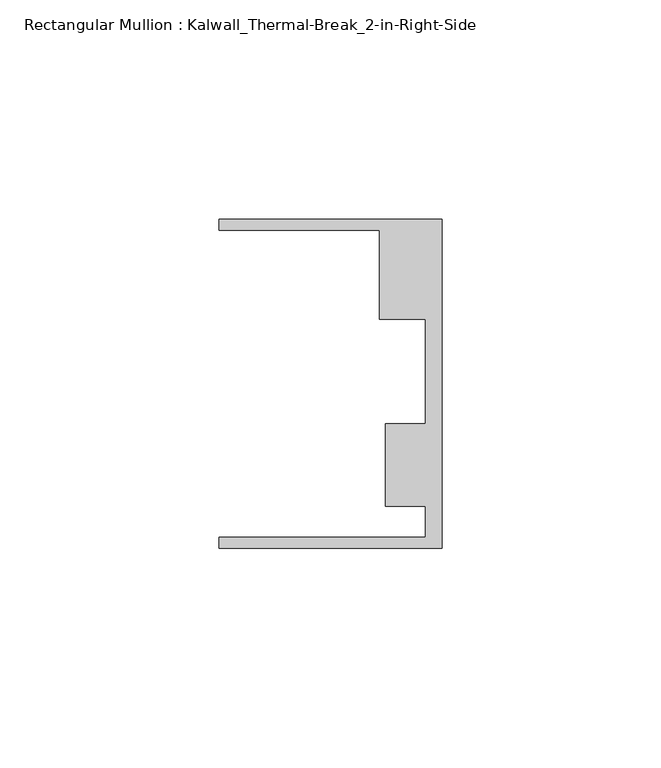
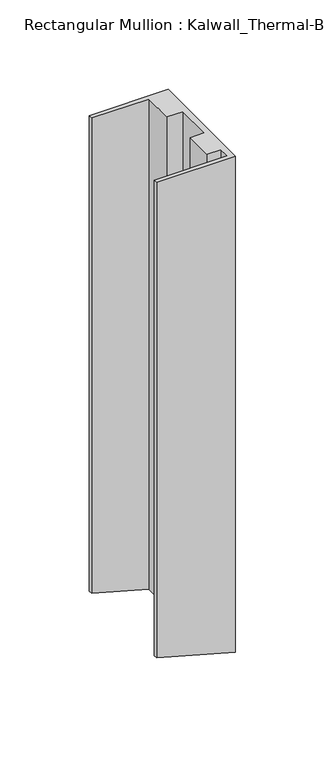
"""IFC4 building model written with IfcOpenShell, lengths in millimetres: member geometry, Rectangular Mullion : Kalwall_Thermal-Break_2-in-Right-Side."""

from ifc_helpers import new_model, si_unit, origin, place, context, project, spatial, faceted_brep, source, transform, mapped, element, save


def rectangular_mullion_kalwall_thermal_break_2_in_right_side_c90b6703(model_context):
    return source(origin(), model_context, "Body", "Brep", [
        faceted_brep([(0.0, -37.5776386, 0.0), (0.0, 37.5023614, 0.0), (-50.8, 37.5023614, 0.0), (-50.8, 34.9623614, 0.0), (-14.1732, 34.9623614, 0.0), (-14.1732, 14.7439614, 0.0), (-3.7084, 14.7439614, 0.0), (-3.7084, -9.1879886, 0.0), (-12.8272539, -9.1879886, 0.0), (-12.8272539, -27.8888568, 0.0), (-3.7084, -27.8888568, 0.0), (-3.7084, -35.0376386, 0.0), (-50.8, -35.0376386, 0.0), (-50.8, -37.5776386, 0.0), (0.0, -37.5776386, -338.5062871), (0.0, 37.5023614, -338.5062871), (-50.8, 37.5023614, -324.4724803), (-50.8, 34.9623614, -324.4724803), (-14.1732, 34.9623614, -334.590855), (-14.1732, 14.7439614, -334.590855), (-3.7084, 14.7439614, -337.4818192), (-3.7084, -9.1879886, -337.4818192), (-12.8272539, -9.1879886, -334.9626807), (-12.8272539, -27.8888568, -334.9626807), (-3.7084, -27.8888568, -337.4818192), (-3.7084, -35.0376386, -337.4818192), (-50.8, -35.0376386, -324.4724803), (-50.8, -37.5776386, -324.4724803)], [[[0, 1, 2, 3, 4, 5, 6, 7, 8, 9, 10, 11, 12, 13]], [[1, 0, 14, 15]], [[2, 1, 15, 16]], [[3, 2, 16, 17]], [[4, 3, 17, 18]], [[5, 4, 18, 19]], [[6, 5, 19, 20]], [[7, 6, 20, 21]], [[8, 7, 21, 22]], [[9, 8, 22, 23]], [[10, 9, 23, 24]], [[11, 10, 24, 25]], [[12, 11, 25, 26]], [[13, 12, 26, 27]], [[0, 13, 27, 14]], [[14, 27, 26, 25, 24, 23, 22, 21, 20, 19, 18, 17, 16, 15]]]),
    ])


if __name__ == "__main__":
    model = new_model("IFC4")
    model_context = context("Model", 3, world=origin())
    ifc_project = project(units=[si_unit("LENGTHUNIT", "METRE", prefix="MILLI")], contexts=[model_context])
    site = spatial("IfcSite", under=ifc_project)
    building = spatial("IfcBuilding", under=site)
    placement = place(None, origin())
    rectangular_mullion_kalwall_thermal_break_2_in_right_side_shape = rectangular_mullion_kalwall_thermal_break_2_in_right_side_c90b6703(model_context)
    element("IfcMember", 1, ObjectType="Rectangular Mullion : Kalwall_Thermal-Break_2-in-Right-Side", at=placement, inside=building, context=model_context, shape_type="MappedRepresentation", body=[
        mapped(rectangular_mullion_kalwall_thermal_break_2_in_right_side_shape, transform((0.0, 0.0, 0.0), x_axis=(1.0, 0.0, 0.0), y_axis=(0.0, 1.0, 0.0), z_axis=(0.0, 0.0, 1.0))),
    ])
    save(model, "model.ifc")
